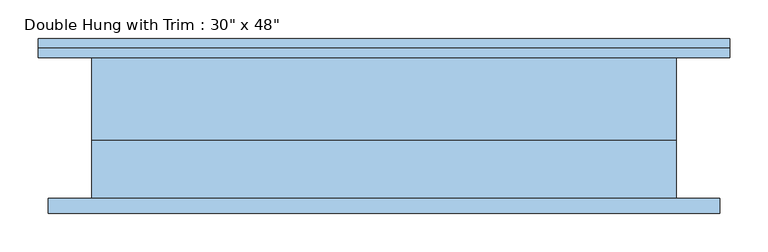
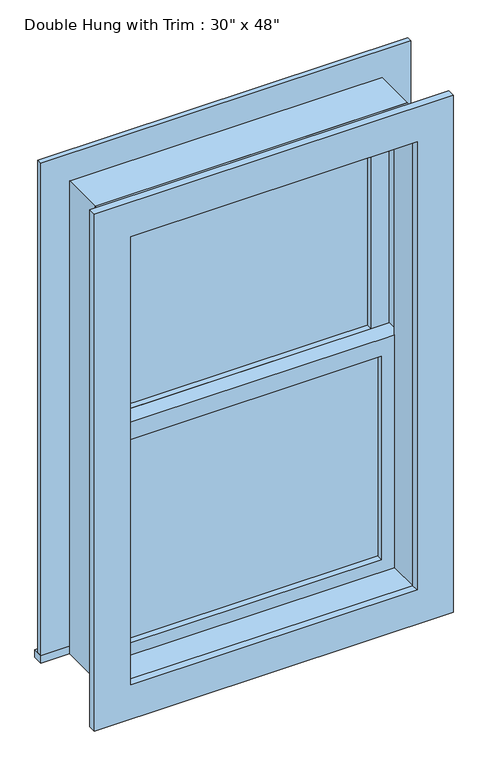
"""IFC4 building model written with IfcOpenShell, lengths in millimetres: window geometry."""

from ifc_helpers import new_model, si_unit, frame, origin, place, context, project, spatial, polyline, outline, extrude, source, transform, mapped, element, save


def window_580635ff(model_context):
    return source(origin(), model_context, "Body", "SweptSolid", [
        extrude(outline(polyline([(-317.5, 12.7), (317.5, 12.7), (317.5, 0.0), (-317.5, 0.0), (-317.5, 12.7)])), frame((0.0, 0.0, 977.9), z_axis=(0.0, 0.0, 1.0), x_axis=(1.0, 0.0, 0.0)), (0.0, 0.0, 1.0), 523.875),
        extrude(outline(polyline([(1546.225, -361.95), (933.45, -361.95), (933.45, 361.95), (1546.225, 361.95), (1546.225, -361.95)]), holes=[polyline([(1501.775, -317.5), (1501.775, 317.5), (977.9, 317.5), (977.9, -317.5), (1501.775, -317.5)])]), frame((0.0, -15.875, 0.0), z_axis=(0.0, 1.0, 0.0), x_axis=(0.0, 0.0, 1.0)), (0.0, 0.0, 1.0), 44.45),
        extrude(outline(polyline([(-450.85, 117.475), (450.85, 117.475), (450.85, 92.075), (-450.85, 92.075), (-450.85, 117.475)])), frame((0.0, 0.0, 914.4), z_axis=(0.0, 0.0, 1.0), x_axis=(1.0, 0.0, 0.0)), (0.0, 0.0, 1.0), 19.05),
        extrude(outline(polyline([(2114.55, -361.95), (2114.55, 361.95), (933.45, 361.95), (933.45, 450.85), (2203.45, 450.85), (2203.45, -450.85), (933.45, -450.85), (933.45, -361.95), (2114.55, -361.95)])), frame((0.0, 92.075, 0.0), z_axis=(0.0, 1.0, 0.0), x_axis=(0.0, 0.0, 1.0)), (0.0, 0.0, 1.0), 12.7),
        extrude(outline(polyline([(2190.75, 438.15), (2190.75, -438.15), (857.25, -438.15), (857.25, 438.15), (2190.75, 438.15)]), holes=[polyline([(2101.85, 349.25), (946.15, 349.25), (946.15, -349.25), (2101.85, -349.25), (2101.85, 349.25)])]), frame((0.0, -111.125, 0.0), z_axis=(0.0, 1.0, 0.0), x_axis=(0.0, 0.0, 1.0)), (0.0, 0.0, 1.0), 19.05),
        extrude(outline(polyline([(317.5, 44.45), (-317.5, 44.45), (-317.5, 57.15), (317.5, 57.15), (317.5, 44.45)])), frame((0.0, 0.0, 1546.225), z_axis=(0.0, 0.0, 1.0), x_axis=(1.0, 0.0, 0.0)), (0.0, 0.0, 1.0), 523.875),
        extrude(outline(polyline([(2114.55, -361.95), (1501.775, -361.95), (1501.775, 361.95), (2114.55, 361.95), (2114.55, -361.95)]), holes=[polyline([(2070.1, -317.5), (2070.1, 317.5), (1546.225, 317.5), (1546.225, -317.5), (2070.1, -317.5)])]), frame((0.0, 28.575, 0.0), z_axis=(0.0, 1.0, 0.0), x_axis=(0.0, 0.0, 1.0)), (0.0, 0.0, 1.0), 44.45),
        extrude(outline(polyline([(2133.6, -381.0), (914.4, -381.0), (914.4, 381.0), (2133.6, 381.0), (2133.6, -381.0)]), holes=[polyline([(2101.85, -349.25), (2101.85, 349.25), (946.15, 349.25), (946.15, -349.25), (2101.85, -349.25)])]), frame((0.0, -92.075, 0.0), z_axis=(0.0, 1.0, 0.0), x_axis=(0.0, 0.0, 1.0)), (0.0, 0.0, 1.0), 76.2),
        extrude(outline(polyline([(2133.6, 381.0), (2133.6, -381.0), (914.4, -381.0), (914.4, 381.0), (2133.6, 381.0)]), holes=[polyline([(2114.55, 361.95), (933.45, 361.95), (933.45, -361.95), (2114.55, -361.95), (2114.55, 361.95)])]), frame((0.0, -15.875, 0.0), z_axis=(0.0, 1.0, 0.0), x_axis=(0.0, 0.0, 1.0)), (0.0, 0.0, 1.0), 107.95),
    ])


if __name__ == "__main__":
    model = new_model("IFC4")
    model_context = context("Model", 3, world=origin())
    ifc_project = project(units=[si_unit("LENGTHUNIT", "METRE", prefix="MILLI")], contexts=[model_context])
    site = spatial("IfcSite", under=ifc_project)
    building = spatial("IfcBuilding", under=site)
    placement = place(None, origin())
    window_shape = window_580635ff(model_context)
    element("IfcWindow", 1, ObjectType="Double Hung with Trim : 30\" x 48\"", at=placement, inside=building, context=model_context, shape_type="MappedRepresentation", body=[
        mapped(window_shape, transform((0.0, 0.0, 0.0), x_axis=(1.0, 0.0, 0.0), y_axis=(0.0, 1.0, 0.0), z_axis=(0.0, 0.0, 1.0))),
    ])
    save(model, "model.ifc")
